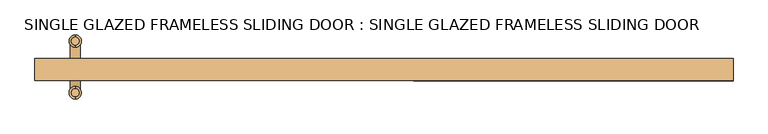
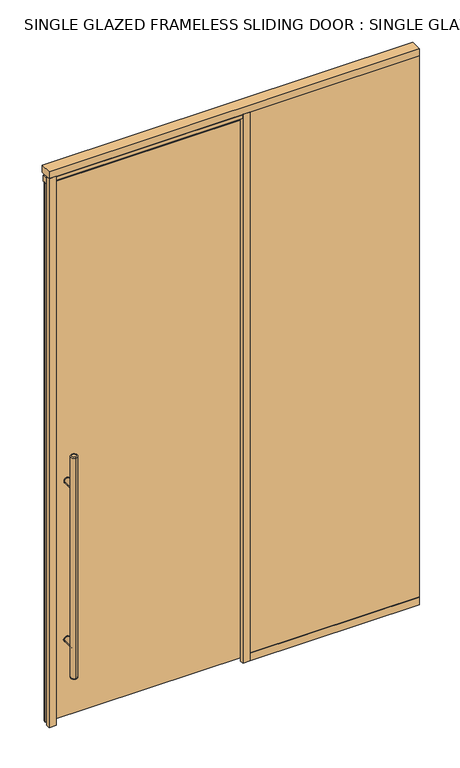
"""IFC4 building model written with IfcOpenShell, lengths in millimetres: door geometry, SINGLE GLAZED FRAMELESS SLIDING DOOR : SINGLE GLAZED FRAMELESS SLIDING DOOR."""

import ifcopenshell
import ifcopenshell.guid

model = None  # the IFC model being written
_history = None  # IfcOwnerHistory: only IFC2X3 demands one
_inside = {}  # id of a spatial element -> (the spatial element, [elements in it])
_under = {}  # id of a project, library or spatial element -> (it, [spatial elements below it])
_declared = {}  # id of a project -> (the project, [libraries it declares])
_typed = {}  # id of a type object -> (the type object, [elements of that type])
_made_of = {}  # id of a material, layer set ... -> (it, [elements and type objects made of it])


def new_model(schema):
    """Start an empty IFC model of exactly this schema.

    Asked for "IFC4X3", IfcOpenShell would pick the latest addendum, in which some entities
    have other attributes; the version numbers below select the first issue.
    IFC2X3 requires an IfcOwnerHistory on every rooted entity: one is made here for all.
    """
    global model, _history
    if schema == "IFC4X3":
        model = ifcopenshell.file(schema_version=(4, 3, 0, 0))
    else:
        model = ifcopenshell.file(schema=schema)
    _inside.clear()
    _under.clear()
    _declared.clear()
    _typed.clear()
    _made_of.clear()
    _history = None
    if model.schema == "IFC2X3":
        org = make("IfcOrganization", Name="unknown")
        user = make(
            "IfcPersonAndOrganization",
            ThePerson=make("IfcPerson", FamilyName="unknown"),
            TheOrganization=org,
        )
        app = make(
            "IfcApplication",
            ApplicationDeveloper=org,
            Version="unknown",
            ApplicationFullName="unknown",
            ApplicationIdentifier="unknown",
        )
        _history = make(
            "IfcOwnerHistory",
            OwningUser=user,
            OwningApplication=app,
            ChangeAction="ADDED",
            CreationDate=0,
        )
    return model


def make(cls, **values):
    """One entity of the class cls with the attributes given. An attribute that is None is left unset."""
    return model.create_entity(
        cls, **{name: value for name, value in values.items() if value is not None}
    )


def rooted(cls, **values):
    """An entity with a GlobalId (a new one), such as an element, a storey or a relation."""
    return make(cls, GlobalId=ifcopenshell.guid.new(), OwnerHistory=_history, **values)


def si_unit(unit_type, name, prefix=None):
    """IfcSIUnit, for example si_unit("LENGTHUNIT", "METRE", prefix="MILLI")."""
    return make("IfcSIUnit", UnitType=unit_type, Prefix=prefix, Name=name)


def assignment(units):
    """IfcUnitAssignment: the units of a project."""
    return None if units is None else make("IfcUnitAssignment", Units=units)


def point(xyz):
    """IfcCartesianPoint."""
    return None if xyz is None else make("IfcCartesianPoint", Coordinates=xyz)


def direction(xyz):
    """IfcDirection."""
    return None if xyz is None else make("IfcDirection", DirectionRatios=xyz)


def frame(location, z_axis=None, x_axis=None):
    """IfcAxis2Placement3D, a coordinate frame: its origin and axes. An axis left out is left unset."""
    return make(
        "IfcAxis2Placement3D",
        Location=point(location),
        Axis=direction(z_axis),
        RefDirection=direction(x_axis),
    )


def frame_2d(location, x_axis=None):
    """IfcAxis2Placement2D, a coordinate frame in the plane: its origin and x axis."""
    return make(
        "IfcAxis2Placement2D", Location=point(location), RefDirection=direction(x_axis)
    )


def origin():
    """The frame at (0, 0, 0) with its axes left unset."""
    return frame((0.0, 0.0, 0.0))


def origin_with_axes():
    """The frame at (0, 0, 0) with the z axis (0, 0, 1) and the x axis (1, 0, 0) written out."""
    return frame((0.0, 0.0, 0.0), z_axis=(0.0, 0.0, 1.0), x_axis=(1.0, 0.0, 0.0))


def place(relative_to, where):
    """IfcLocalPlacement: puts the frame where relative to a parent placement (None: the world)."""
    return make(
        "IfcLocalPlacement", PlacementRelTo=relative_to, RelativePlacement=where
    )


def context(
    kind, dimensions, precision=None, world=None, true_north=None, identifier=None
):
    """IfcGeometricRepresentationContext, for example the 3D "Model" context."""
    return make(
        "IfcGeometricRepresentationContext",
        ContextIdentifier=identifier,
        ContextType=kind,
        CoordinateSpaceDimension=dimensions,
        Precision=precision,
        WorldCoordinateSystem=world,
        TrueNorth=true_north,
    )


def project(units=None, contexts=None):
    """IfcProject with its units and contexts."""
    return rooted(
        "IfcProject",
        Name="project",
        RepresentationContexts=contexts,
        UnitsInContext=assignment(units),
    )


def spatial(cls, under=None, at=None, **own):
    """A site, building, storey or space (cls), placed at a placement, below another one or the project."""
    s = rooted(cls, ObjectPlacement=at, **own)
    if under is not None:
        _under.setdefault(under.id(), (under, []))[1].append(s)
    return s


def polyline(points):
    """IfcPolyline through the points."""
    return make("IfcPolyline", Points=[point(p) for p in points])


def circle_curve(where, radius):
    """IfcCircle in the frame where."""
    return make("IfcCircle", Position=where, Radius=radius)


def ellipse_curve(where, semi_axis1, semi_axis2):
    """IfcEllipse in the frame where."""
    return make(
        "IfcEllipse", Position=where, SemiAxis1=semi_axis1, SemiAxis2=semi_axis2
    )


def trimmed(basis, trim1, trim2, sense, master):
    """IfcTrimmedCurve: the piece of a basis curve between two trims."""
    return make(
        "IfcTrimmedCurve",
        BasisCurve=basis,
        Trim1=trim1,
        Trim2=trim2,
        SenseAgreement=sense,
        MasterRepresentation=master,
    )


def segment(curve, same_sense, transition):
    """IfcCompositeCurveSegment."""
    return make(
        "IfcCompositeCurveSegment",
        Transition=transition,
        SameSense=same_sense,
        ParentCurve=curve,
    )


def composite_curve(segments, self_intersect=None):
    """IfcCompositeCurve: segments joined end to end."""
    return make("IfcCompositeCurve", Segments=segments, SelfIntersect=self_intersect)


def outline(outer, holes=None, kind="AREA"):
    """IfcArbitraryClosedProfileDef: a profile drawn as a closed curve; with holes, ...WithVoids."""
    if holes is None:
        return make("IfcArbitraryClosedProfileDef", ProfileType=kind, OuterCurve=outer)
    return make(
        "IfcArbitraryProfileDefWithVoids",
        ProfileType=kind,
        OuterCurve=outer,
        InnerCurves=holes,
    )


def extrude(swept, where, along, depth):
    """IfcExtrudedAreaSolid: the profile swept, set in the frame where, extruded along a direction by depth."""
    return make(
        "IfcExtrudedAreaSolid",
        SweptArea=swept,
        Position=where,
        ExtrudedDirection=direction(along),
        Depth=depth,
    )


def shape(context_of_items, identifier, shape_type, items):
    """IfcShapeRepresentation: the items that make up one representation, for example the "Body"."""
    return make(
        "IfcShapeRepresentation",
        ContextOfItems=context_of_items,
        RepresentationIdentifier=identifier,
        RepresentationType=shape_type,
        Items=items,
    )


def source(mapping_origin, context_of_items, identifier, shape_type, items):
    """IfcRepresentationMap: a shape defined once, which mapped items show again and again."""
    return make(
        "IfcRepresentationMap",
        MappingOrigin=mapping_origin,
        MappedRepresentation=shape(context_of_items, identifier, shape_type, items),
    )


def transform(
    local_origin,
    x_axis=None,
    y_axis=None,
    z_axis=None,
    scale=None,
    scale2=None,
    scale3=None,
    uniform=True,
):
    """IfcCartesianTransformationOperator3D, or its non-uniform kind. x_axis, y_axis, z_axis: its Axis1, 2, 3."""
    if uniform:
        return make(
            "IfcCartesianTransformationOperator3D",
            Axis1=direction(x_axis),
            Axis2=direction(y_axis),
            LocalOrigin=point(local_origin),
            Scale=scale,
            Axis3=direction(z_axis),
        )
    return make(
        "IfcCartesianTransformationOperator3DnonUniform",
        Axis1=direction(x_axis),
        Axis2=direction(y_axis),
        LocalOrigin=point(local_origin),
        Scale=scale,
        Axis3=direction(z_axis),
        Scale2=scale2,
        Scale3=scale3,
    )


def mapped(mapping_source, mapping_target):
    """IfcMappedItem: shows the shape of a source again, moved by a transform."""
    return make(
        "IfcMappedItem", MappingSource=mapping_source, MappingTarget=mapping_target
    )


def made_of(thing, what):
    """Note that an element or type object is made of a material, layer set ...; save() writes the relation."""
    if what is not None:
        _made_of.setdefault(what.id(), (what, []))[1].append(thing)
    return thing


def element(
    cls,
    number,
    at=None,
    inside=None,
    cuts=None,
    type_object=None,
    material=None,
    context=None,
    identifier="Body",
    shape_type=None,
    held_by="IfcProductDefinitionShape",
    body=None,
    shapes=None,
    **own,
):
    """One element of the class cls, such as IfcWall. Its Tag is "e" and its number.

    at: its placement. inside: the storey or other place that contains it. cuts: it is an
    opening in that element (IfcRelVoidsElement). A single representation is given by context,
    identifier, shape_type and body (its items); several are given by shapes. held_by: the class
    of the entity that holds the representations. save() writes the other relations.
    """
    e = rooted(cls, Tag="e%d" % number, ObjectPlacement=at, **own)
    if body is not None:
        shapes = [shape(context, identifier, shape_type, body)]
    if shapes is not None:
        e.Representation = make(held_by, Representations=shapes)
    if inside is not None:
        _inside.setdefault(inside.id(), (inside, []))[1].append(e)
    if cuts is not None:
        rooted(
            "IfcRelVoidsElement", RelatingBuildingElement=cuts, RelatedOpeningElement=e
        )
    if type_object is not None:
        _typed.setdefault(type_object.id(), (type_object, []))[1].append(e)
    return made_of(e, material)


def aggregate(whole, parts):
    """IfcRelAggregates: a whole, such as a stair, and the parts it consists of."""
    return rooted("IfcRelAggregates", RelatingObject=whole, RelatedObjects=parts)


def save(model, path):
    """Write the relations noted so far, then the file.

    IfcRelAggregates (storeys below a building ...), IfcRelContainedInSpatialStructure (elements
    in a storey), IfcRelDefinesByType, IfcRelAssociatesMaterial and IfcRelDeclares: one each for
    every whole, place, type object, material and project.
    """
    for whole, parts in _under.values():
        aggregate(whole, parts)
    for where, things in _inside.values():
        rooted(
            "IfcRelContainedInSpatialStructure",
            RelatedElements=things,
            RelatingStructure=where,
        )
    for kind, things in _typed.values():
        rooted("IfcRelDefinesByType", RelatedObjects=things, RelatingType=kind)
    for what, things in _made_of.values():
        rooted("IfcRelAssociatesMaterial", RelatedObjects=things, RelatingMaterial=what)
    for by, libraries in _declared.values():
        rooted("IfcRelDeclares", RelatingContext=by, RelatedDefinitions=libraries)
    model.write(path)


def plane_surface(at):
    """IfcPlane: the flat surface through the origin of the frame at, square to its z axis."""
    return make("IfcPlane", Position=at)


def cylinder_surface(at, radius):
    """IfcCylindricalSurface: all points at the distance radius from the z axis of the frame at."""
    return make("IfcCylindricalSurface", Position=at, Radius=radius)


def revolved_surface(curve, axis_point, axis_direction):
    """IfcSurfaceOfRevolution: the curve turned about the line through axis_point along axis_direction."""
    return make(
        "IfcSurfaceOfRevolution",
        SweptCurve=make("IfcArbitraryOpenProfileDef", ProfileType="CURVE", Curve=curve),
        AxisPosition=make("IfcAxis1Placement", Location=point(axis_point), Axis=direction(axis_direction)),
    )


def advanced_brep(points, edges, surfaces, faces):
    """IfcAdvancedBrep: a solid bounded by faces that lie on surfaces and meet in shared edges.

    An edge is (start, end): straight between two places in points (the first is 0);
    or (start, end, curve); or (start, end, curve, False) where it runs against its curve.
    A face is (place in surfaces, loops), or (place, loops, False) where it looks against
    its surface's normal. A loop lists edges by number (the first is 1), with a minus sign
    where the edge is run from its end to its start. The first loop is the outer one.
    """
    corners = [point(p) for p in points]
    vertices = [make("IfcVertexPoint", VertexGeometry=c) for c in corners]
    made = []
    for start, end, *more in edges:
        made.append(
            make(
                "IfcEdgeCurve",
                EdgeStart=vertices[start],
                EdgeEnd=vertices[end],
                EdgeGeometry=more[0] if more else make("IfcPolyline", Points=[corners[start], corners[end]]),
                SameSense=more[1] if len(more) > 1 else True,
            )
        )
    hull = []
    for where, loops, *sense in faces:
        bounds = []
        for j, loop in enumerate(loops):
            ring = [make("IfcOrientedEdge", EdgeElement=made[abs(k) - 1], Orientation=k > 0) for k in loop]
            bounds.append(
                make(
                    "IfcFaceOuterBound" if j == 0 else "IfcFaceBound",
                    Bound=make("IfcEdgeLoop", EdgeList=ring),
                    Orientation=True,
                )
            )
        hull.append(make("IfcAdvancedFace", Bounds=bounds, FaceSurface=surfaces[where], SameSense=sense[0] if sense else True))
    return make("IfcAdvancedBrep", Outer=make("IfcClosedShell", CfsFaces=hull))


def single_glazed_frameless_sliding_door_single_glazed_frameless_70087497(model_context):
    return source(origin(), model_context, "Body", "SolidModel", [
        extrude(outline(composite_curve([segment(trimmed(circle_curve(frame_2d((428.625, -850.9)), 15.875), [point((428.625, -866.775))], [point((428.625, -835.025))], False, "CARTESIAN"), True, "CONTINUOUS"), segment(trimmed(circle_curve(frame_2d((428.625, -850.9)), 15.875), [point((428.625, -835.025))], [point((428.625, -866.775))], False, "CARTESIAN"), True, "CONTINUOUS")], self_intersect=False)), frame((0.0, 19.05, 0.0), z_axis=(0.0, 1.0, 0.0), x_axis=(0.0, 0.0, 1.0)), (0.0, 0.0, 1.0), 3.175),
        extrude(outline(composite_curve([segment(trimmed(circle_curve(frame_2d((1298.575, -850.9)), 15.875), [point((1298.575, -835.025))], [point((1298.575, -866.775))], False, "CARTESIAN"), True, "CONTINUOUS"), segment(trimmed(circle_curve(frame_2d((1298.575, -850.9)), 15.875), [point((1298.575, -866.775))], [point((1298.575, -835.025))], False, "CARTESIAN"), True, "CONTINUOUS")], self_intersect=False)), frame((0.0, 19.05, 0.0), z_axis=(0.0, 1.0, 0.0), x_axis=(0.0, 0.0, 1.0)), (0.0, 0.0, 1.0), 3.175),
        extrude(outline(composite_curve([segment(trimmed(circle_curve(frame_2d((428.625, -850.9)), 15.875), [point((428.625, -866.775))], [point((428.625, -835.025))], False, "CARTESIAN"), True, "CONTINUOUS"), segment(trimmed(circle_curve(frame_2d((428.625, -850.9)), 15.875), [point((428.625, -835.025))], [point((428.625, -866.775))], False, "CARTESIAN"), True, "CONTINUOUS")], self_intersect=False)), frame((0.0, 34.925, 0.0), z_axis=(0.0, 1.0, 0.0), x_axis=(0.0, 0.0, 1.0)), (0.0, 0.0, 1.0), 3.175),
        extrude(outline(composite_curve([segment(trimmed(circle_curve(frame_2d((1298.575, -850.9)), 15.875), [point((1298.575, -866.775))], [point((1298.575, -835.025))], False, "CARTESIAN"), True, "CONTINUOUS"), segment(trimmed(circle_curve(frame_2d((1298.575, -850.9)), 15.875), [point((1298.575, -835.025))], [point((1298.575, -866.775))], False, "CARTESIAN"), True, "CONTINUOUS")], self_intersect=False)), frame((0.0, 34.925, 0.0), z_axis=(0.0, 1.0, 0.0), x_axis=(0.0, 0.0, 1.0)), (0.0, 0.0, 1.0), 3.175),
        extrude(outline(composite_curve([segment(trimmed(circle_curve(frame_2d((428.625, -850.9)), 14.2875), [point((428.625, -836.6125))], [point((428.625, -865.1875))], False, "CARTESIAN"), True, "CONTINUOUS"), segment(trimmed(circle_curve(frame_2d((428.625, -850.9)), 14.2875), [point((428.625, -865.1875))], [point((428.625, -836.6125))], False, "CARTESIAN"), True, "CONTINUOUS")], self_intersect=False)), frame((0.0, 34.925, 0.0), z_axis=(0.0, 1.0, 0.0), x_axis=(0.0, 0.0, 1.0)), (0.0, 0.0, 1.0), 65.0875),
        extrude(outline(composite_curve([segment(trimmed(circle_curve(frame_2d((1298.575, -850.9)), 14.2875), [point((1298.575, -836.6125))], [point((1298.575, -865.1875))], False, "CARTESIAN"), True, "CONTINUOUS"), segment(trimmed(circle_curve(frame_2d((1298.575, -850.9)), 14.2875), [point((1298.575, -865.1875))], [point((1298.575, -836.6125))], False, "CARTESIAN"), True, "CONTINUOUS")], self_intersect=False)), frame((0.0, 34.925, 0.0), z_axis=(0.0, 1.0, 0.0), x_axis=(0.0, 0.0, 1.0)), (0.0, 0.0, 1.0), 65.0875),
        advanced_brep(
        [(-850.9, -32.0675, 1473.2), (-850.9, -53.6575, 1473.2), (-850.9, -53.6575, 254.0), (-850.9, -32.0675, 254.0), (-850.9, -60.0075, 260.35), (-850.9, -25.7175, 260.35), (-850.9, -25.7175, 1466.85), (-850.9, -60.0075, 1466.85)],
        [
            (0, 1, circle_curve(frame((-850.9, -42.8625, 1473.2), z_axis=(0.0, 0.0, 1.0), x_axis=(0.0, 1.0, 0.0)), 10.795)),
            (1, 0, circle_curve(frame((-850.9, -42.8625, 1473.2), z_axis=(0.0, 0.0, 1.0), x_axis=(0.0, 1.0, 0.0)), 10.795)),
            (2, 3, circle_curve(frame((-850.9, -42.8625, 254.0), z_axis=(0.0, 0.0, -1.0), x_axis=(0.0, 1.0, 0.0)), 10.795)),
            (3, 2, circle_curve(frame((-850.9, -42.8625, 254.0), z_axis=(0.0, 0.0, -1.0), x_axis=(0.0, 1.0, 0.0)), 10.795)),
            (4, 5, circle_curve(frame((-850.9, -42.8625, 260.35), z_axis=(0.0, 0.0, 1.0), x_axis=(0.0, 1.0, 0.0)), 17.145)),
            (5, 6),
            (6, 7, circle_curve(frame((-850.9, -42.8625, 1466.85), z_axis=(0.0, 0.0, -1.0), x_axis=(0.0, 1.0, 0.0)), 17.145)),
            (7, 4),
            (5, 4, circle_curve(frame((-850.9, -42.8625, 260.35), z_axis=(0.0, 0.0, 1.0), x_axis=(0.0, 1.0, 0.0)), 17.145)),
            (7, 6, circle_curve(frame((-850.9, -42.8625, 1466.85), z_axis=(0.0, 0.0, -1.0), x_axis=(0.0, 1.0, 0.0)), 17.145)),
            (2, 4, circle_curve(frame((-850.9, -53.6575, 260.35), z_axis=(-1.0, 0.0, 0.0), x_axis=(0.0, -1.0, 0.0)), 6.35)),
            (5, 3, circle_curve(frame((-850.9, -32.0675, 260.35), z_axis=(-1.0, 0.0, 0.0), x_axis=(0.0, 1.0, 0.0)), 6.35)),
            (7, 1, circle_curve(frame((-850.9, -53.6575, 1466.85), z_axis=(-1.0, 0.0, 0.0), x_axis=(0.0, -1.0, 0.0)), 6.35)),
            (0, 6, circle_curve(frame((-850.9, -32.0675, 1466.85), z_axis=(-1.0, 0.0, 0.0), x_axis=(0.0, 1.0, 0.0)), 6.35)),
        ],
        [
            plane_surface(frame((-850.9, 117.1575, 1473.2), z_axis=(0.0, 0.0, 1.0), x_axis=(-1.0, 0.0, 0.0))),
            plane_surface(frame((-850.9, 117.1575, 254.0), z_axis=(0.0, 0.0, -1.0), x_axis=(1.0, 0.0, 0.0))),
            cylinder_surface(frame((-850.9, -42.8625, 254.0), z_axis=(0.0, 0.0, 1.0), x_axis=(0.0, 1.0, 0.0)), 17.145),
            revolved_surface(trimmed(ellipse_curve(frame((-850.9, -32.0675, 260.35), z_axis=(1.0, 0.0, 0.0), x_axis=(0.0, 1.0, 0.0)), 6.35, 6.35), [point((-850.9, -32.0675, 254.0))], [point((-850.9, -25.7175, 260.35))], True, "CARTESIAN"), (-850.9, -42.8625, 2082.8), (0.0, 0.0, 1.0)),
            revolved_surface(trimmed(ellipse_curve(frame((-850.9, -32.0675, 1466.85), z_axis=(1.0, 0.0, 0.0), x_axis=(0.0, 1.0, 0.0)), 6.35, 6.35), [point((-850.9, -25.7175, 1466.85))], [point((-850.9, -32.0675, 1473.2))], True, "CARTESIAN"), (-850.9, -42.8625, -355.6), (0.0, 0.0, 1.0)),
        ],
        [
            (0, [[1, 2]]),
            (1, [[3, 4]]),
            (2, [[5, 6, 7, 8]]),
            (2, [[9, -8, 10, -6]]),
            (3, [[11, -9, 12, -3]]),
            (3, [[-11, -4, -12, -5]]),
            (4, [[13, -1, 14, -10]]),
            (4, [[-13, -7, -14, -2]]),
        ],
    ),
        advanced_brep(
        [(-850.9, 110.8075, 1473.2), (-850.9, 89.2175, 1473.2), (-850.9, 89.2175, 254.0), (-850.9, 110.8075, 254.0), (-850.9, 82.8675, 260.35), (-850.9, 117.1575, 260.35), (-850.9, 117.1575, 1466.85), (-850.9, 82.8675, 1466.85)],
        [
            (0, 1, circle_curve(frame((-850.9, 100.0125, 1473.2), z_axis=(0.0, 0.0, 1.0), x_axis=(0.0, -1.0, 0.0)), 10.795)),
            (1, 0, circle_curve(frame((-850.9, 100.0125, 1473.2), z_axis=(0.0, 0.0, 1.0), x_axis=(0.0, -1.0, 0.0)), 10.795)),
            (2, 3, circle_curve(frame((-850.9, 100.0125, 254.0), z_axis=(0.0, 0.0, -1.0), x_axis=(0.0, -1.0, 0.0)), 10.795)),
            (3, 2, circle_curve(frame((-850.9, 100.0125, 254.0), z_axis=(0.0, 0.0, -1.0), x_axis=(0.0, -1.0, 0.0)), 10.795)),
            (4, 5, circle_curve(frame((-850.9, 100.0125, 260.35), z_axis=(0.0, 0.0, 1.0), x_axis=(0.0, 1.0, 0.0)), 17.145)),
            (5, 6),
            (6, 7, circle_curve(frame((-850.9, 100.0125, 1466.85), z_axis=(0.0, 0.0, -1.0), x_axis=(0.0, 1.0, 0.0)), 17.145)),
            (7, 4),
            (5, 4, circle_curve(frame((-850.9, 100.0125, 260.35), z_axis=(0.0, 0.0, 1.0), x_axis=(0.0, 1.0, 0.0)), 17.145)),
            (7, 6, circle_curve(frame((-850.9, 100.0125, 1466.85), z_axis=(0.0, 0.0, -1.0), x_axis=(0.0, 1.0, 0.0)), 17.145)),
            (5, 3, circle_curve(frame((-850.9, 110.8075, 260.35), z_axis=(-1.0, 0.0, 0.0), x_axis=(0.0, 1.0, 0.0)), 6.35)),
            (2, 4, circle_curve(frame((-850.9, 89.2175, 260.35), z_axis=(-1.0, 0.0, 0.0), x_axis=(0.0, -1.0, 0.0)), 6.35)),
            (0, 6, circle_curve(frame((-850.9, 110.8075, 1466.85), z_axis=(-1.0, 0.0, 0.0), x_axis=(0.0, 1.0, 0.0)), 6.35)),
            (7, 1, circle_curve(frame((-850.9, 89.2175, 1466.85), z_axis=(-1.0, 0.0, 0.0), x_axis=(0.0, -1.0, 0.0)), 6.35)),
        ],
        [
            plane_surface(frame((-850.9, 117.1575, 1473.2), z_axis=(0.0, 0.0, 1.0), x_axis=(-1.0, 0.0, 0.0))),
            plane_surface(frame((-850.9, 117.1575, 254.0), z_axis=(0.0, 0.0, -1.0), x_axis=(1.0, 0.0, 0.0))),
            cylinder_surface(frame((-850.9, 100.0125, 254.0), z_axis=(0.0, 0.0, 1.0), x_axis=(0.0, 1.0, 0.0)), 17.145),
            revolved_surface(trimmed(ellipse_curve(frame((-850.9, 89.2175, 260.35), z_axis=(1.0, 0.0, 0.0), x_axis=(0.0, -1.0, 0.0)), 6.35, 6.35), [point((-850.9, 82.8675, 260.35))], [point((-850.9, 89.2175, 254.0))], True, "CARTESIAN"), (-850.9, 100.0125, 2082.8), (0.0, 0.0, -1.0)),
            revolved_surface(trimmed(ellipse_curve(frame((-850.9, 89.2175, 1466.85), z_axis=(1.0, 0.0, 0.0), x_axis=(0.0, -1.0, 0.0)), 6.35, 6.35), [point((-850.9, 89.2175, 1473.2))], [point((-850.9, 82.8675, 1466.85))], True, "CARTESIAN"), (-850.9, 100.0125, -355.6), (0.0, 0.0, -1.0)),
        ],
        [
            (0, [[1, 2]]),
            (1, [[3, 4]]),
            (2, [[5, 6, 7, 8]]),
            (2, [[9, -8, 10, -6]]),
            (3, [[11, -3, 12, -9]]),
            (3, [[-11, -5, -12, -4]]),
            (4, [[13, -10, 14, -1]]),
            (4, [[-13, -2, -14, -7]]),
        ],
    ),
        extrude(outline(composite_curve([segment(trimmed(circle_curve(frame_2d((428.625, -850.9)), 14.2875), [point((428.625, -836.6125))], [point((428.625, -865.1875))], False, "CARTESIAN"), True, "CONTINUOUS"), segment(trimmed(circle_curve(frame_2d((428.625, -850.9)), 14.2875), [point((428.625, -865.1875))], [point((428.625, -836.6125))], False, "CARTESIAN"), True, "CONTINUOUS")], self_intersect=False)), frame((0.0, -42.8625, 0.0), z_axis=(0.0, 1.0, 0.0), x_axis=(0.0, 0.0, 1.0)), (0.0, 0.0, 1.0), 65.0875),
        extrude(outline(composite_curve([segment(trimmed(circle_curve(frame_2d((1298.575, -850.9)), 14.2875), [point((1298.575, -836.6125))], [point((1298.575, -865.1875))], False, "CARTESIAN"), True, "CONTINUOUS"), segment(trimmed(circle_curve(frame_2d((1298.575, -850.9)), 14.2875), [point((1298.575, -865.1875))], [point((1298.575, -836.6125))], False, "CARTESIAN"), True, "CONTINUOUS")], self_intersect=False)), frame((0.0, -42.8625, 0.0), z_axis=(0.0, 1.0, 0.0), x_axis=(0.0, 0.0, 1.0)), (0.0, 0.0, 1.0), 65.0875),
        extrude(outline(polyline([(82.5231001, 6.35), (962.025, 6.35), (962.025, -6.35), (82.5231001, -6.35), (82.5231001, 6.35)])), frame((0.0, 0.0, 41.275), z_axis=(0.0, 0.0, 1.0), x_axis=(1.0, 0.0, 0.0)), (0.0, 0.0, 1.0), 2968.625),
        extrude(outline(polyline([(82.5231001, 9.525), (82.5231001, -9.525), (44.4231001, -9.525), (44.4231001, 9.525), (82.5231001, 9.525)])), origin_with_axes(), (0.0, 0.0, 1.0), 3009.9),
        extrude(outline(polyline([(-923.925, 9.525), (-923.925, -9.525), (-962.025, -9.525), (-962.025, 9.525), (-923.925, 9.525)])), origin_with_axes(), (0.0, 0.0, 1.0), 3009.9),
        extrude(outline(polyline([(82.5231001, 34.925), (82.5231001, 22.225), (-962.025, 22.225), (-962.025, 34.925), (82.5231001, 34.925)])), frame((0.0, 0.0, 9.525), z_axis=(0.0, 0.0, 1.0), x_axis=(1.0, 0.0, 0.0)), (0.0, 0.0, 1.0), 2955.925),
        extrude(outline(polyline([(82.5231001, 41.275), (82.5231001, 12.7), (-962.025, 12.7), (-962.025, 41.275), (82.5231001, 41.275)])), frame((0.0, 0.0, 2965.45), z_axis=(0.0, 0.0, 1.0), x_axis=(1.0, 0.0, 0.0)), (0.0, 0.0, 1.0), 31.75),
        extrude(outline(polyline([(962.025, 9.525), (962.025, -9.525), (82.5231001, -9.525), (82.5231001, 9.525), (962.025, 9.525)])), origin_with_axes(), (0.0, 0.0, 1.0), 41.275),
        extrude(outline(polyline([(44.4231001, 12.7), (44.4231001, -9.525), (-923.925, -9.525), (-923.925, 12.7), (44.4231001, 12.7)])), frame((0.0, 0.0, 2989.2625), z_axis=(0.0, 0.0, 1.0), x_axis=(1.0, 0.0, 0.0)), (0.0, 0.0, 1.0), 19.05),
        extrude(outline(polyline([(962.025, 50.8), (962.025, -9.525), (-962.025, -9.525), (-962.025, 50.8), (962.025, 50.8)])), frame((0.0, 0.0, 3009.9), z_axis=(0.0, 0.0, 1.0), x_axis=(1.0, 0.0, 0.0)), (0.0, 0.0, 1.0), 38.1),
    ])


if __name__ == "__main__":
    model = new_model("IFC4")
    model_context = context("Model", 3, world=origin())
    ifc_project = project(units=[si_unit("LENGTHUNIT", "METRE", prefix="MILLI")], contexts=[model_context])
    site = spatial("IfcSite", under=ifc_project)
    building = spatial("IfcBuilding", under=site)
    placement = place(None, origin())
    single_glazed_frameless_sliding_door_single_glazed_frameless_shape = single_glazed_frameless_sliding_door_single_glazed_frameless_70087497(model_context)
    element("IfcDoor", 1, ObjectType="SINGLE GLAZED FRAMELESS SLIDING DOOR : SINGLE GLAZED FRAMELESS SLIDING DOOR", at=placement, inside=building, context=model_context, shape_type="MappedRepresentation", body=[
        mapped(single_glazed_frameless_sliding_door_single_glazed_frameless_shape, transform((0.0, 0.0, 0.0), x_axis=(1.0, 0.0, 0.0), y_axis=(0.0, 1.0, 0.0), z_axis=(0.0, 0.0, 1.0))),
    ])
    save(model, "model.ifc")
